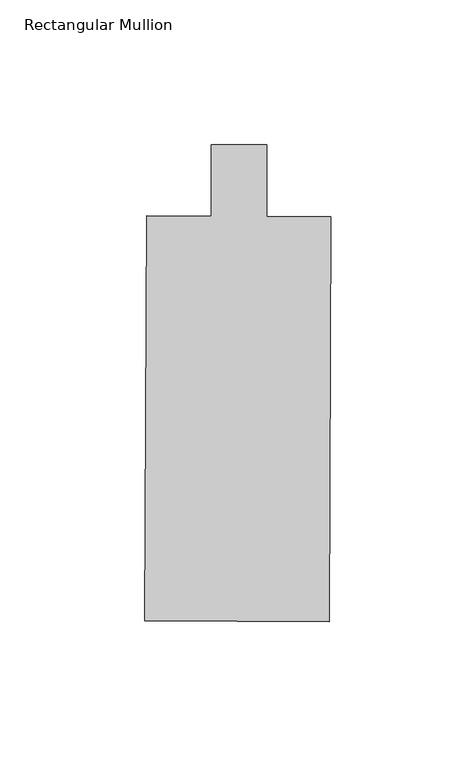
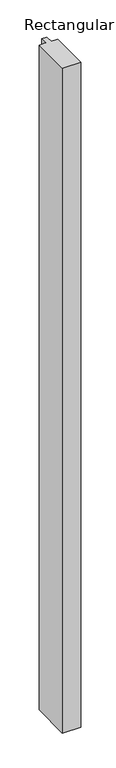
"""IFC4 building model written with IfcOpenShell, lengths in millimetres: member geometry, Rectangular Mullion."""

import ifcopenshell
import ifcopenshell.guid

model = None  # the IFC model being written
_history = None  # IfcOwnerHistory: only IFC2X3 demands one
_inside = {}  # id of a spatial element -> (the spatial element, [elements in it])
_under = {}  # id of a project, library or spatial element -> (it, [spatial elements below it])
_declared = {}  # id of a project -> (the project, [libraries it declares])
_typed = {}  # id of a type object -> (the type object, [elements of that type])
_made_of = {}  # id of a material, layer set ... -> (it, [elements and type objects made of it])


def new_model(schema):
    """Start an empty IFC model of exactly this schema.

    Asked for "IFC4X3", IfcOpenShell would pick the latest addendum, in which some entities
    have other attributes; the version numbers below select the first issue.
    IFC2X3 requires an IfcOwnerHistory on every rooted entity: one is made here for all.
    """
    global model, _history
    if schema == "IFC4X3":
        model = ifcopenshell.file(schema_version=(4, 3, 0, 0))
    else:
        model = ifcopenshell.file(schema=schema)
    _inside.clear()
    _under.clear()
    _declared.clear()
    _typed.clear()
    _made_of.clear()
    _history = None
    if model.schema == "IFC2X3":
        org = make("IfcOrganization", Name="unknown")
        user = make(
            "IfcPersonAndOrganization",
            ThePerson=make("IfcPerson", FamilyName="unknown"),
            TheOrganization=org,
        )
        app = make(
            "IfcApplication",
            ApplicationDeveloper=org,
            Version="unknown",
            ApplicationFullName="unknown",
            ApplicationIdentifier="unknown",
        )
        _history = make(
            "IfcOwnerHistory",
            OwningUser=user,
            OwningApplication=app,
            ChangeAction="ADDED",
            CreationDate=0,
        )
    return model


def make(cls, **values):
    """One entity of the class cls with the attributes given. An attribute that is None is left unset."""
    return model.create_entity(
        cls, **{name: value for name, value in values.items() if value is not None}
    )


def rooted(cls, **values):
    """An entity with a GlobalId (a new one), such as an element, a storey or a relation."""
    return make(cls, GlobalId=ifcopenshell.guid.new(), OwnerHistory=_history, **values)


def si_unit(unit_type, name, prefix=None):
    """IfcSIUnit, for example si_unit("LENGTHUNIT", "METRE", prefix="MILLI")."""
    return make("IfcSIUnit", UnitType=unit_type, Prefix=prefix, Name=name)


def assignment(units):
    """IfcUnitAssignment: the units of a project."""
    return None if units is None else make("IfcUnitAssignment", Units=units)


def point(xyz):
    """IfcCartesianPoint."""
    return None if xyz is None else make("IfcCartesianPoint", Coordinates=xyz)


def direction(xyz):
    """IfcDirection."""
    return None if xyz is None else make("IfcDirection", DirectionRatios=xyz)


def frame(location, z_axis=None, x_axis=None):
    """IfcAxis2Placement3D, a coordinate frame: its origin and axes. An axis left out is left unset."""
    return make(
        "IfcAxis2Placement3D",
        Location=point(location),
        Axis=direction(z_axis),
        RefDirection=direction(x_axis),
    )


def origin():
    """The frame at (0, 0, 0) with its axes left unset."""
    return frame((0.0, 0.0, 0.0))


def place(relative_to, where):
    """IfcLocalPlacement: puts the frame where relative to a parent placement (None: the world)."""
    return make(
        "IfcLocalPlacement", PlacementRelTo=relative_to, RelativePlacement=where
    )


def context(
    kind, dimensions, precision=None, world=None, true_north=None, identifier=None
):
    """IfcGeometricRepresentationContext, for example the 3D "Model" context."""
    return make(
        "IfcGeometricRepresentationContext",
        ContextIdentifier=identifier,
        ContextType=kind,
        CoordinateSpaceDimension=dimensions,
        Precision=precision,
        WorldCoordinateSystem=world,
        TrueNorth=true_north,
    )


def project(units=None, contexts=None):
    """IfcProject with its units and contexts."""
    return rooted(
        "IfcProject",
        Name="project",
        RepresentationContexts=contexts,
        UnitsInContext=assignment(units),
    )


def spatial(cls, under=None, at=None, **own):
    """A site, building, storey or space (cls), placed at a placement, below another one or the project."""
    s = rooted(cls, ObjectPlacement=at, **own)
    if under is not None:
        _under.setdefault(under.id(), (under, []))[1].append(s)
    return s


def polyline(points):
    """IfcPolyline through the points."""
    return make("IfcPolyline", Points=[point(p) for p in points])


def outline(outer, holes=None, kind="AREA"):
    """IfcArbitraryClosedProfileDef: a profile drawn as a closed curve; with holes, ...WithVoids."""
    if holes is None:
        return make("IfcArbitraryClosedProfileDef", ProfileType=kind, OuterCurve=outer)
    return make(
        "IfcArbitraryProfileDefWithVoids",
        ProfileType=kind,
        OuterCurve=outer,
        InnerCurves=holes,
    )


def extrude(swept, where, along, depth):
    """IfcExtrudedAreaSolid: the profile swept, set in the frame where, extruded along a direction by depth."""
    return make(
        "IfcExtrudedAreaSolid",
        SweptArea=swept,
        Position=where,
        ExtrudedDirection=direction(along),
        Depth=depth,
    )


def shape(context_of_items, identifier, shape_type, items):
    """IfcShapeRepresentation: the items that make up one representation, for example the "Body"."""
    return make(
        "IfcShapeRepresentation",
        ContextOfItems=context_of_items,
        RepresentationIdentifier=identifier,
        RepresentationType=shape_type,
        Items=items,
    )


def source(mapping_origin, context_of_items, identifier, shape_type, items):
    """IfcRepresentationMap: a shape defined once, which mapped items show again and again."""
    return make(
        "IfcRepresentationMap",
        MappingOrigin=mapping_origin,
        MappedRepresentation=shape(context_of_items, identifier, shape_type, items),
    )


def transform(
    local_origin,
    x_axis=None,
    y_axis=None,
    z_axis=None,
    scale=None,
    scale2=None,
    scale3=None,
    uniform=True,
):
    """IfcCartesianTransformationOperator3D, or its non-uniform kind. x_axis, y_axis, z_axis: its Axis1, 2, 3."""
    if uniform:
        return make(
            "IfcCartesianTransformationOperator3D",
            Axis1=direction(x_axis),
            Axis2=direction(y_axis),
            LocalOrigin=point(local_origin),
            Scale=scale,
            Axis3=direction(z_axis),
        )
    return make(
        "IfcCartesianTransformationOperator3DnonUniform",
        Axis1=direction(x_axis),
        Axis2=direction(y_axis),
        LocalOrigin=point(local_origin),
        Scale=scale,
        Axis3=direction(z_axis),
        Scale2=scale2,
        Scale3=scale3,
    )


def mapped(mapping_source, mapping_target):
    """IfcMappedItem: shows the shape of a source again, moved by a transform."""
    return make(
        "IfcMappedItem", MappingSource=mapping_source, MappingTarget=mapping_target
    )


def made_of(thing, what):
    """Note that an element or type object is made of a material, layer set ...; save() writes the relation."""
    if what is not None:
        _made_of.setdefault(what.id(), (what, []))[1].append(thing)
    return thing


def element(
    cls,
    number,
    at=None,
    inside=None,
    cuts=None,
    type_object=None,
    material=None,
    context=None,
    identifier="Body",
    shape_type=None,
    held_by="IfcProductDefinitionShape",
    body=None,
    shapes=None,
    **own,
):
    """One element of the class cls, such as IfcWall. Its Tag is "e" and its number.

    at: its placement. inside: the storey or other place that contains it. cuts: it is an
    opening in that element (IfcRelVoidsElement). A single representation is given by context,
    identifier, shape_type and body (its items); several are given by shapes. held_by: the class
    of the entity that holds the representations. save() writes the other relations.
    """
    e = rooted(cls, Tag="e%d" % number, ObjectPlacement=at, **own)
    if body is not None:
        shapes = [shape(context, identifier, shape_type, body)]
    if shapes is not None:
        e.Representation = make(held_by, Representations=shapes)
    if inside is not None:
        _inside.setdefault(inside.id(), (inside, []))[1].append(e)
    if cuts is not None:
        rooted(
            "IfcRelVoidsElement", RelatingBuildingElement=cuts, RelatedOpeningElement=e
        )
    if type_object is not None:
        _typed.setdefault(type_object.id(), (type_object, []))[1].append(e)
    return made_of(e, material)


def aggregate(whole, parts):
    """IfcRelAggregates: a whole, such as a stair, and the parts it consists of."""
    return rooted("IfcRelAggregates", RelatingObject=whole, RelatedObjects=parts)


def save(model, path):
    """Write the relations noted so far, then the file.

    IfcRelAggregates (storeys below a building ...), IfcRelContainedInSpatialStructure (elements
    in a storey), IfcRelDefinesByType, IfcRelAssociatesMaterial and IfcRelDeclares: one each for
    every whole, place, type object, material and project.
    """
    for whole, parts in _under.values():
        aggregate(whole, parts)
    for where, things in _inside.values():
        rooted(
            "IfcRelContainedInSpatialStructure",
            RelatedElements=things,
            RelatingStructure=where,
        )
    for kind, things in _typed.values():
        rooted("IfcRelDefinesByType", RelatedObjects=things, RelatingType=kind)
    for what, things in _made_of.values():
        rooted("IfcRelAssociatesMaterial", RelatedObjects=things, RelatingMaterial=what)
    for by, libraries in _declared.values():
        rooted("IfcRelDeclares", RelatingContext=by, RelatedDefinitions=libraries)
    model.write(path)


def rectangular_mullion_eeaef893(model_context):
    return source(origin(), model_context, "Body", "SweptSolid", [
        extrude(outline(polyline([(30.9196676, -165.2438905), (-32.5796655, -164.9528656), (-31.9394107, -25.2543378), (-9.7147573, -25.356196), (-9.7147573, -0.79375), (9.335269, -0.79375), (9.335269, -25.4435045), (31.5599224, -25.5453627), (30.9196676, -165.2438905)])), frame((0.0, 0.0, -2438.4), z_axis=(0.0, 0.0, 1.0), x_axis=(1.0, 0.0, 0.0)), (0.0, 0.0, 1.0), 2438.4),
    ])


if __name__ == "__main__":
    model = new_model("IFC4")
    model_context = context("Model", 3, world=origin())
    ifc_project = project(units=[si_unit("LENGTHUNIT", "METRE", prefix="MILLI")], contexts=[model_context])
    site = spatial("IfcSite", under=ifc_project)
    building = spatial("IfcBuilding", under=site)
    placement = place(None, origin())
    rectangular_mullion_shape = rectangular_mullion_eeaef893(model_context)
    element("IfcMember", 1, ObjectType="Rectangular Mullion", at=placement, inside=building, context=model_context, shape_type="MappedRepresentation", body=[
        mapped(rectangular_mullion_shape, transform((0.0, 0.0, 0.0), x_axis=(1.0, 0.0, 0.0), y_axis=(0.0, 1.0, 0.0), z_axis=(0.0, 0.0, 1.0))),
    ])
    save(model, "model.ifc")
